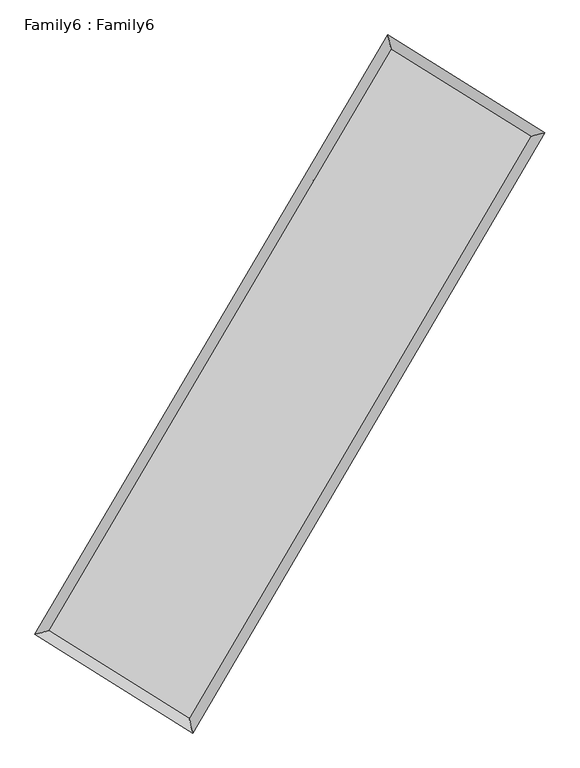
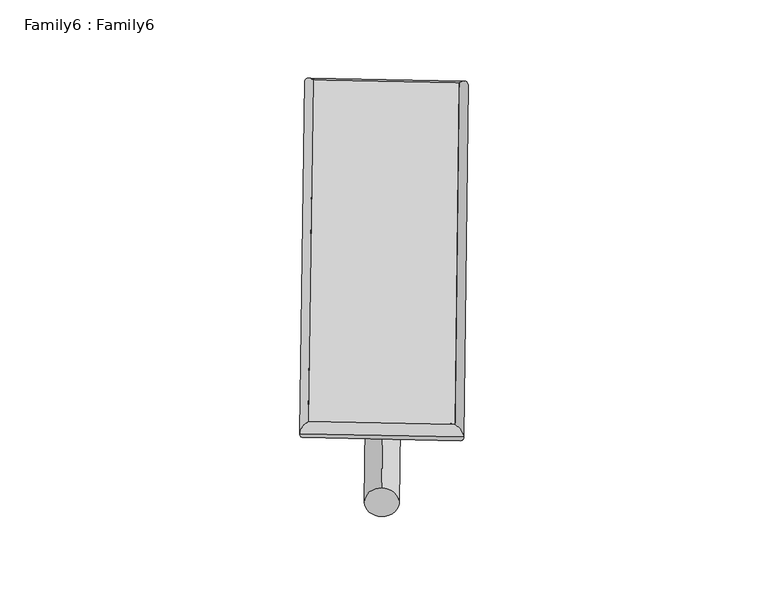
"""IFC4 building model written with IfcOpenShell, lengths in millimetres: plate geometry, Family6 : Family6."""

from ifc_helpers import new_model, si_unit, point, frame, origin, origin_2d, place, context, project, spatial, circle_curve, ellipse_curve, trimmed, segment, composite_curve, outline, extrude, source, transform, mapped, element, save
from ifc_brep_helpers import plane_surface, cylinder_surface, spline_surface, advanced_brep


def family6_family6_37f832d6(model_context):
    return source(origin(), model_context, "Body", "SolidModel", [
        extrude(outline(composite_curve([segment(trimmed(circle_curve(origin_2d(), 76.2), [point((-75.4341514, -10.7763074))], [point((75.4341514, 10.7763074))], False, "CARTESIAN"), True, "CONTINUOUS"), segment(trimmed(circle_curve(origin_2d(), 76.2), [point((75.4341514, 10.7763074))], [point((-75.4341514, -10.7763074))], False, "CARTESIAN"), True, "CONTINUOUS")], self_intersect=False)), frame((9144.0, 9144.0, 0.0), z_axis=(0.6712290681978126, 0.6885742525012922, 0.27443949569729065), x_axis=(-0.6806458108185033, 0.719172956200929, -0.13968371159315285)), (0.0, 0.0, 1.0), 5546.5471185),
        extrude(outline(composite_curve([segment(trimmed(circle_curve(origin_2d(), 76.2), [point((-53.8815367, 53.8815367))], [point((53.8815367, -53.8815367))], False, "CARTESIAN"), True, "CONTINUOUS"), segment(trimmed(circle_curve(origin_2d(), 76.2), [point((53.8815367, -53.8815367))], [point((-53.8815367, 53.8815367))], False, "CARTESIAN"), True, "CONTINUOUS")], self_intersect=False)), frame((9144.0, 9144.0, 0.0), z_axis=(-0.6723324573236915, -0.6874973857692065, 0.27443835626528845), x_axis=(0.6424759865678902, -0.357797986675388, 0.6776468161326039)), (0.0, 0.0, 1.0), 5546.6882734),
        extrude(outline(composite_curve([segment(trimmed(circle_curve(origin_2d(), 76.2), [point((-53.8815367, -53.8815367))], [point((53.8815367, 53.8815367))], False, "CARTESIAN"), True, "CONTINUOUS"), segment(trimmed(circle_curve(origin_2d(), 76.2), [point((53.8815367, 53.8815367))], [point((-53.8815367, -53.8815367))], False, "CARTESIAN"), True, "CONTINUOUS")], self_intersect=False)), frame((9144.0, 9144.0, 0.0), z_axis=(0.2777267993536253, 0.9214878284539982, 0.2715290167402479), x_axis=(-0.8389960197008579, 0.3703374900081285, -0.398667558776228)), (0.0, 0.0, 1.0), 5608.1336542),
        extrude(outline(composite_curve([segment(trimmed(circle_curve(origin_2d(), 76.2), [point((-75.4341514, 10.7763073))], [point((75.4341514, -10.7763073))], False, "CARTESIAN"), True, "CONTINUOUS"), segment(trimmed(circle_curve(origin_2d(), 76.2), [point((75.4341514, -10.7763073))], [point((-75.4341514, 10.7763073))], False, "CARTESIAN"), True, "CONTINUOUS")], self_intersect=False)), frame((9144.0, 9144.0, 0.0), z_axis=(-0.2764895061966881, -0.9219321848481695, 0.27128324589659475), x_axis=(0.8781444954381796, -0.12769460459776433, 0.4610383206288232)), (0.0, 0.0, 1.0), 5613.5212662),
        advanced_brep(
        [(5208.1942538, 5280.1376623, 1522.2704201), (5621.3686324, 5381.1949624, 1522.1776049), (10753.5988135, 14099.8604291, 1522.7086218), (10649.4592067, 14523.7933763, 1522.8334119), (12660.4686322, 12912.2973419, 1522.1983947), (13073.5386758, 13014.1217302, 1522.1847934), (7539.7954079, 4181.0851911, 1522.8416731), (7644.0451463, 3756.3429576, 1522.8668669)],
        [
            (0, 1, ellipse_curve(frame((5414.7814431, 5330.6663123, 1522.2240125), z_axis=(-0.23758426531149673, 0.9713669228222278, -0.00013462270392867778), x_axis=(-0.9713669026441757, -0.2375842899729249, -0.00021355449296045777)), 212.6768003, 152.4)),
            (1, 2),
            (2, 3, ellipse_curve(frame((10701.5290101, 14311.8269027, 1522.7710169), z_axis=(-0.971128061328776, -0.23855874089970755, 0.00012506062172681657), x_axis=(0.2385587144974412, -0.9711280562301543, -0.00019529457393374758)), 218.2683089, 152.4)),
            (3, 0),
            (1, 0, ellipse_curve(frame((5414.7814431, 5330.6663123, 1522.2240125), z_axis=(-0.23758426531149673, 0.9713669228222278, -0.00013462270392867778), x_axis=(-0.9713669026441757, -0.2375842899729249, -0.00021355449296045777)), 212.6768003, 152.4)),
            (3, 2, ellipse_curve(frame((10701.5290101, 14311.8269027, 1522.7710169), z_axis=(-0.971128061328776, -0.23855874089970755, 0.00012506062172681657), x_axis=(0.2385587144974412, -0.9711280562301543, -0.00019529457393374758)), 218.2683089, 152.4)),
            (2, 4),
            (4, 5, ellipse_curve(frame((12867.003654, 12963.2095361, 1522.1915941), z_axis=(-0.23934173317546806, 0.9709353849399626, 0.00011415800368996294), x_axis=(-0.9709353645046381, -0.23934175263240676, 0.00020832929108891563)), 212.7175783, 152.4)),
            (5, 3),
            (5, 4, ellipse_curve(frame((12867.003654, 12963.2095361, 1522.1915941), z_axis=(-0.23934173317546806, 0.9709353849399626, 0.00011415800368996294), x_axis=(-0.9709353645046381, -0.23934175263240676, 0.00020832929108891563)), 212.7175783, 152.4)),
            (4, 6),
            (6, 7, ellipse_curve(frame((7591.9202771, 3968.7140744, 1522.85427), z_axis=(0.9711750188690502, 0.2383675013492766, 0.00013048065880656086), x_axis=(-0.23836747054942684, 0.9711750113020428, -0.000215421320965827)), 218.6744033, 152.4)),
            (7, 5),
            (7, 6, ellipse_curve(frame((7591.9202771, 3968.7140744, 1522.85427), z_axis=(0.9711750188690502, 0.2383675013492766, 0.00013048065880656086), x_axis=(-0.23836747054942684, 0.9711750113020428, -0.000215421320965827)), 218.6744033, 152.4)),
            (6, 1),
            (0, 7),
        ],
        [
            cylinder_surface(frame((5414.7814431, 5330.6663123, 1522.2240125), z_axis=(-0.5072847146884821, -0.8617785188135706, -5.248727360657979e-05), x_axis=(-0.8617784749818038, 0.5072846672287785, 0.00035560177721329474)), 152.4),
            cylinder_surface(frame((10701.5290101, 14311.8269027, 1522.7710169), z_axis=(-0.8488435963942876, 0.5286440175329762, 0.00022712773193428053), x_axis=(0.5286440569672854, 0.8488435838628039, 0.00017654495326506977)), 152.4),
            cylinder_surface(frame((12867.003654, 12963.2095361, 1522.1915941), z_axis=(0.5058942226387664, 0.8625955201957737, -6.355234808782442e-05), x_axis=(0.8625955223641999, -0.5058942226387664, 1.7261270836396295e-05)), 152.4),
            cylinder_surface(frame((7591.9202771, 3968.7140744, 1522.85427), z_axis=(0.8477811108745862, -0.5303462338997942, 0.00024542322192135866), x_axis=(-0.5303462068715045, -0.8477811462848382, -0.00016988517648622786)), 152.4),
        ],
        [
            (0, [[1, 2, 3, 4]]),
            (0, [[5, -4, 6, -2]]),
            (1, [[-3, 7, 8, 9]]),
            (1, [[-6, -9, 10, -7]]),
            (2, [[-8, 11, 12, 13]]),
            (2, [[-10, -13, 14, -11]]),
            (3, [[-12, 15, -1, 16]]),
            (3, [[-14, -16, -5, -15]]),
        ],
    ),
        extrude(outline(composite_curve([segment(trimmed(circle_curve(origin_2d(), 304.8), [point((0.0, -304.8))], [point((0.0, 304.8))], False, "CARTESIAN"), True, "CONTINUOUS"), segment(trimmed(circle_curve(origin_2d(), 304.8), [point((0.0, 304.8))], [point((0.0, -304.8))], False, "CARTESIAN"), True, "CONTINUOUS")], self_intersect=False)), frame((6496.3760129, 4637.9156727, -7e-07), z_axis=(0.5065916417452503, 0.8621861217358187, 1.4230804747108315e-10), x_axis=(-0.8621861217358187, 0.5065916417452503, 3.871367451430532e-11)), (0.0, 0.0, 1.0), 10452.6951055),
        advanced_brep(
        [(5414.7814431, 5330.6663123, 1522.2240125), (7591.9202771, 3968.7140744, 1522.85427), (7591.9193188, 3968.7156206, 1675.25427), (5414.7804848, 5330.6678586, 1674.6240125), (12867.003654, 12963.2095361, 1522.1915941), (12867.0026958, 12963.2110823, 1674.591594), (10701.5290101, 14311.8269027, 1522.7710169), (10701.5280518, 14311.8284489, 1675.1710169)],
        [
            (0, 1),
            (1, 2),
            (2, 3),
            (3, 0),
            (1, 4),
            (4, 5),
            (5, 2),
            (4, 6),
            (6, 7),
            (7, 5),
            (6, 0),
            (3, 7),
        ],
        [
            plane_surface(frame((6503.3508601, 4649.6901933, 1522.5391412), z_axis=(-0.5303462509603389, -0.8477811357093136, 5.266834819671318e-06), x_axis=(0.8477811108745861, -0.530346233899794, 0.0002454232219213589))),
            plane_surface(frame((10229.4619656, 8465.9618052, 1522.522932), z_axis=(0.8625955222290876, -0.5058942230534759, 1.055688864424397e-05), x_axis=(0.5058942226387663, 0.8625955201957738, -6.355234808782426e-05))),
            plane_surface(frame((11784.2663321, 13637.5182194, 1522.4813055), z_axis=(0.5286440301415997, 0.8488436189120356, -5.288318509623848e-06), x_axis=(-0.8488435963942873, 0.5286440175329763, 0.00022712773193428055))),
            plane_surface(frame((8058.1552266, 9821.2466075, 1522.4975147), z_axis=(-0.8617785196712038, 0.5072847158368481, -1.0565859367802093e-05), x_axis=(-0.5072847146884819, -0.8617785188135707, -5.2487273606579797e-05))),
            spline_surface(1, 1, [[(7591.9193188, 3968.7156206, 1675.25427), (5414.7804848, 5330.6678586, 1674.6240125)], [(12867.0026958, 12963.2110823, 1674.591594), (10701.5280518, 14311.8284489, 1675.1710169)]], [2, 2], [2, 2], [0.0, 1.0], [0.0, 1.0]),
            spline_surface(1, 1, [[(10701.5290101, 14311.8269027, 1522.7710169), (5414.7814431, 5330.6663123, 1522.2240125)], [(12867.003654, 12963.2095361, 1522.1915941), (7591.9202771, 3968.7140744, 1522.85427)]], [2, 2], [2, 2], [0.0, 1.0], [0.0, 1.0]),
        ],
        [
            (0, [[1, 2, 3, 4]]),
            (1, [[5, 6, 7, -2]]),
            (2, [[8, 9, 10, -6]]),
            (3, [[11, -4, 12, -9]]),
            (4, [[-3, -7, -10, -12]]),
            (5, [[-11, -8, -5, -1]]),
        ],
    ),
    ])


if __name__ == "__main__":
    model = new_model("IFC4")
    model_context = context("Model", 3, world=origin())
    ifc_project = project(units=[si_unit("LENGTHUNIT", "METRE", prefix="MILLI")], contexts=[model_context])
    site = spatial("IfcSite", under=ifc_project)
    building = spatial("IfcBuilding", under=site)
    placement = place(None, origin())
    family6_family6_shape = family6_family6_37f832d6(model_context)
    element("IfcPlate", 1, ObjectType="Family6 : Family6", at=placement, inside=building, context=model_context, shape_type="MappedRepresentation", body=[
        mapped(family6_family6_shape, transform((0.0, 0.0, 0.0), x_axis=(1.0, 0.0, 0.0), y_axis=(0.0, 1.0, 0.0), z_axis=(0.0, 0.0, 1.0))),
    ])
    save(model, "model.ifc")
